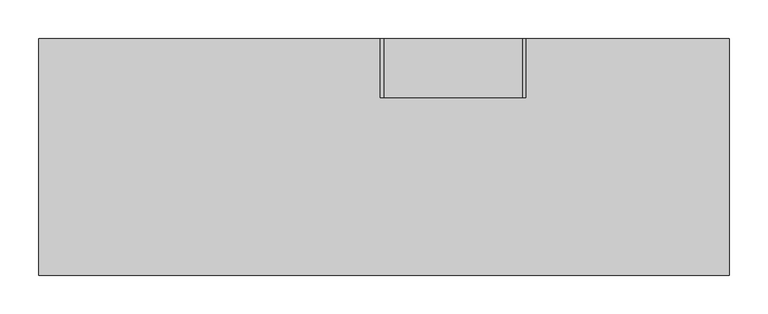
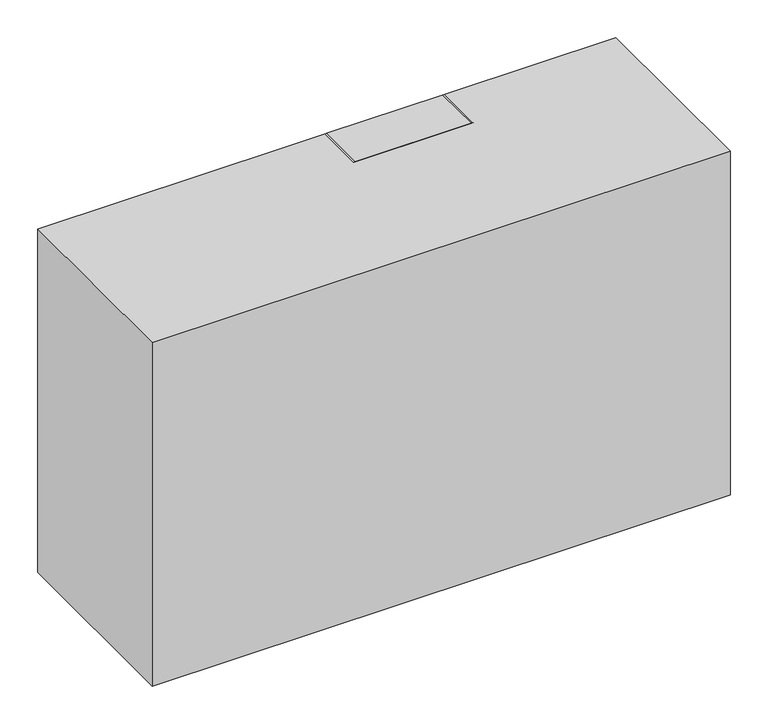
"""IFC4 building model written with IfcOpenShell, lengths in millimetres: proxy geometry."""

from ifc_helpers import new_model, si_unit, point, frame, frame_2d, origin, origin_with_axes, place, context, project, spatial, polyline, circle_curve, trimmed, segment, composite_curve, outline, extrude, source, transform, mapped, element, save


def specialty_equipment_a4eb887e(model_context):
    return source(origin(), model_context, "Body", "SweptSolid", [
        extrude(outline(composite_curve([segment(trimmed(circle_curve(frame_2d((508.0, 177.8)), 50.8), [point((508.0, 228.6))], [point((558.8, 177.8))], False, "CARTESIAN"), True, "CONTINUOUS"), segment(polyline([(558.8, 177.8), (558.8, 0.0)]), True, "CONTINUOUS"), segment(trimmed(circle_curve(frame_2d((508.0, 0.0)), 50.8), [point((558.8, 0.0))], [point((508.0, -50.8))], False, "CARTESIAN"), True, "CONTINUOUS"), segment(polyline([(508.0, -50.8), (279.4, -50.8)]), True, "CONTINUOUS"), segment(trimmed(circle_curve(frame_2d((279.4, -101.6)), 50.8), [point((279.4, -50.8))], [point((228.6, -101.6))], True, "CARTESIAN"), True, "CONTINUOUS"), segment(polyline([(228.6, -101.6), (228.6, -165.1)]), True, "CONTINUOUS"), segment(trimmed(circle_curve(frame_2d((177.8, -165.1)), 50.8), [point((228.6, -165.1))], [point((177.8, -215.9))], False, "CARTESIAN"), True, "CONTINUOUS"), segment(polyline([(177.8, -215.9), (50.8, -215.9)]), True, "CONTINUOUS"), segment(trimmed(circle_curve(frame_2d((50.8, -165.1)), 50.8), [point((50.8, -215.9))], [point((0.0, -165.1))], False, "CARTESIAN"), True, "CONTINUOUS"), segment(polyline([(0.0, -165.1), (0.0, 177.8)]), True, "CONTINUOUS"), segment(trimmed(circle_curve(frame_2d((50.8, 177.8)), 50.8), [point((0.0, 177.8))], [point((50.8, 228.6))], False, "CARTESIAN"), True, "CONTINUOUS"), segment(polyline([(50.8, 228.6), (508.0, 228.6)]), True, "CONTINUOUS")], self_intersect=False)), frame((0.0, 228.6, 0.0), z_axis=(0.0, 1.0, 0.0), x_axis=(0.0, 0.0, 1.0)), (0.0, 0.0, 1.0), 76.2),
        extrude(outline(polyline([(444.5, 304.8), (444.5, 0.0), (-444.5, 0.0), (-444.5, 304.8), (444.5, 304.8)])), origin_with_axes(), (0.0, 0.0, 1.0), 558.8),
    ])


if __name__ == "__main__":
    model = new_model("IFC4")
    model_context = context("Model", 3, world=origin())
    ifc_project = project(units=[si_unit("LENGTHUNIT", "METRE", prefix="MILLI")], contexts=[model_context])
    site = spatial("IfcSite", under=ifc_project)
    building = spatial("IfcBuilding", under=site)
    placement = place(None, origin())
    specialty_equipment_shape = specialty_equipment_a4eb887e(model_context)
    element("IfcBuildingElementProxy", 1, Name="Specialty Equipment", at=placement, inside=building, context=model_context, shape_type="MappedRepresentation", body=[
        mapped(specialty_equipment_shape, transform((0.0, 0.0, 0.0), x_axis=(1.0, 0.0, 0.0), y_axis=(0.0, 1.0, 0.0), z_axis=(0.0, 0.0, 1.0))),
    ])
    save(model, "model.ifc")
